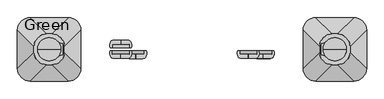
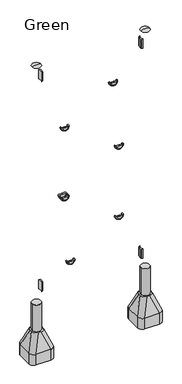
"""IFC4 building model written with IfcOpenShell, lengths in millimetres: furniture geometry, Green."""

from ifc_helpers import new_model, si_unit, point, frame, frame_2d, origin, place, context, project, spatial, polyline, circle_curve, ellipse_curve, trimmed, segment, composite_curve, outline, extrude, source, transform, mapped, element, save
from ifc_brep_helpers import plane_surface, cylinder_surface, revolved_surface, extruded_surface, advanced_brep


def green_5424bf5f(model_context):
    return source(origin(), model_context, "Body", "SolidModel", [
        extrude(outline(composite_curve([segment(trimmed(circle_curve(frame_2d((-627.9777489, 30.3699948)), 1.0), [point((-628.81792, 29.8276734))], [point((-627.6357288, 31.3096874))], False, "CARTESIAN"), True, "CONTINUOUS"), segment(polyline([(-627.6357288, 31.3096874), (-610.9579799, 25.2394832)]), True, "CONTINUOUS"), segment(trimmed(circle_curve(frame_2d((-611.3, 24.2997906)), 1.0), [point((-610.9579799, 25.2394832))], [point((-610.3, 24.2997906))], False, "CARTESIAN"), True, "CONTINUOUS"), segment(polyline([(-610.3, 24.2997906), (-610.3, -24.2997943)]), True, "CONTINUOUS"), segment(trimmed(circle_curve(frame_2d((-611.3, -24.2997943)), 1.0), [point((-610.3, -24.2997943))], [point((-610.9579799, -25.2394869))], False, "CARTESIAN"), True, "CONTINUOUS"), segment(polyline([(-610.9579799, -25.2394869), (-627.6357288, -31.3096911)]), True, "CONTINUOUS"), segment(trimmed(circle_curve(frame_2d((-627.9777489, -30.3699985)), 1.0), [point((-627.6357288, -31.3096911))], [point((-628.81792, -29.8276771))], False, "CARTESIAN"), True, "CONTINUOUS"), segment(trimmed(circle_curve(frame_2d((-675.0273324, -1.9e-06)), 55.0), [point((-628.81792, -29.8276771))], [point((-628.81792, 29.8276734))], True, "CARTESIAN"), True, "CONTINUOUS")], self_intersect=False)), frame((0.0, 0.0, 2790.0), z_axis=(0.0, 0.0, 1.0), x_axis=(1.0, 0.0, 0.0)), (0.0, 0.0, 1.0), 120.0),
        extrude(outline(composite_curve([segment(trimmed(circle_curve(frame_2d((627.9777489, -30.3699948)), 1.0), [point((628.81792, -29.8276734))], [point((627.6357288, -31.3096874))], False, "CARTESIAN"), True, "CONTINUOUS"), segment(polyline([(627.6357288, -31.3096874), (610.9579799, -25.2394832)]), True, "CONTINUOUS"), segment(trimmed(circle_curve(frame_2d((611.3, -24.2997906)), 1.0), [point((610.9579799, -25.2394832))], [point((610.3, -24.2997906))], False, "CARTESIAN"), True, "CONTINUOUS"), segment(polyline([(610.3, -24.2997906), (610.3, 24.2997943)]), True, "CONTINUOUS"), segment(trimmed(circle_curve(frame_2d((611.3, 24.2997943)), 1.0), [point((610.3, 24.2997943))], [point((610.9579799, 25.2394869))], False, "CARTESIAN"), True, "CONTINUOUS"), segment(polyline([(610.9579799, 25.2394869), (627.6357288, 31.3096911)]), True, "CONTINUOUS"), segment(trimmed(circle_curve(frame_2d((627.9777489, 30.3699985)), 1.0), [point((627.6357288, 31.3096911))], [point((628.81792, 29.8276771))], False, "CARTESIAN"), True, "CONTINUOUS"), segment(trimmed(circle_curve(frame_2d((675.0273324, 1.9e-06)), 55.0), [point((628.81792, 29.8276771))], [point((628.81792, -29.8276734))], True, "CARTESIAN"), True, "CONTINUOUS")], self_intersect=False)), frame((0.0, 0.0, 2790.0), z_axis=(0.0, 0.0, 1.0), x_axis=(1.0, 0.0, 0.0)), (0.0, 0.0, 1.0), 120.0),
        extrude(outline(composite_curve([segment(trimmed(circle_curve(frame_2d((627.9777489, -30.3699948)), 1.0), [point((628.81792, -29.8276734))], [point((627.6357288, -31.3096874))], False, "CARTESIAN"), True, "CONTINUOUS"), segment(polyline([(627.6357288, -31.3096874), (610.9579799, -25.2394832)]), True, "CONTINUOUS"), segment(trimmed(circle_curve(frame_2d((611.3, -24.2997906)), 1.0), [point((610.9579799, -25.2394832))], [point((610.3, -24.2997906))], False, "CARTESIAN"), True, "CONTINUOUS"), segment(polyline([(610.3, -24.2997906), (610.3, 24.2997943)]), True, "CONTINUOUS"), segment(trimmed(circle_curve(frame_2d((611.3, 24.2997943)), 1.0), [point((610.3, 24.2997943))], [point((610.9579799, 25.2394869))], False, "CARTESIAN"), True, "CONTINUOUS"), segment(polyline([(610.9579799, 25.2394869), (627.6357288, 31.3096911)]), True, "CONTINUOUS"), segment(trimmed(circle_curve(frame_2d((627.9777489, 30.3699985)), 1.0), [point((627.6357288, 31.3096911))], [point((628.81792, 29.8276771))], False, "CARTESIAN"), True, "CONTINUOUS"), segment(trimmed(circle_curve(frame_2d((675.0273324, 1.9e-06)), 55.0), [point((628.81792, 29.8276771))], [point((628.81792, -29.8276734))], True, "CARTESIAN"), True, "CONTINUOUS")], self_intersect=False)), frame((0.0, 0.0, 40.0), z_axis=(0.0, 0.0, 1.0), x_axis=(1.0, 0.0, 0.0)), (0.0, 0.0, 1.0), 120.0),
        extrude(outline(composite_curve([segment(trimmed(circle_curve(frame_2d((-627.9777489, 30.3699948)), 1.0), [point((-628.81792, 29.8276734))], [point((-627.6357288, 31.3096874))], False, "CARTESIAN"), True, "CONTINUOUS"), segment(polyline([(-627.6357288, 31.3096874), (-610.9579799, 25.2394832)]), True, "CONTINUOUS"), segment(trimmed(circle_curve(frame_2d((-611.3, 24.2997906)), 1.0), [point((-610.9579799, 25.2394832))], [point((-610.3, 24.2997906))], False, "CARTESIAN"), True, "CONTINUOUS"), segment(polyline([(-610.3, 24.2997906), (-610.3, -24.2997943)]), True, "CONTINUOUS"), segment(trimmed(circle_curve(frame_2d((-611.3, -24.2997943)), 1.0), [point((-610.3, -24.2997943))], [point((-610.9579799, -25.2394869))], False, "CARTESIAN"), True, "CONTINUOUS"), segment(polyline([(-610.9579799, -25.2394869), (-627.6357288, -31.3096911)]), True, "CONTINUOUS"), segment(trimmed(circle_curve(frame_2d((-627.9777489, -30.3699985)), 1.0), [point((-627.6357288, -31.3096911))], [point((-628.81792, -29.8276771))], False, "CARTESIAN"), True, "CONTINUOUS"), segment(trimmed(circle_curve(frame_2d((-675.0273324, -1.9e-06)), 55.0), [point((-628.81792, -29.8276771))], [point((-628.81792, 29.8276734))], True, "CARTESIAN"), True, "CONTINUOUS")], self_intersect=False)), frame((0.0, 0.0, 40.0), z_axis=(0.0, 0.0, 1.0), x_axis=(1.0, 0.0, 0.0)), (0.0, 0.0, 1.0), 120.0),
        advanced_brep(
        [(-620.0, 0.0, 3000.0), (-730.0, 0.0, 3000.0), (-675.0, 0.0, 3012.0246565), (-675.0, 0.0, 3000.0)],
        [
            (0, 1, circle_curve(frame((-675.0, 0.0, 3000.0), z_axis=(0.0, 0.0, 1.0), x_axis=(-1.0, 0.0, 0.0)), 55.0)),
            (1, 2, circle_curve(frame((-679.5450144, 0.0, 2901.0177111), z_axis=(0.0, 1.0, 0.0), x_axis=(-1.0, 0.0, 0.0)), 111.0999509)),
            (2, 0, circle_curve(frame((-670.4549856, 0.0, 2901.0177111), z_axis=(0.0, 1.0, 0.0), x_axis=(1.0, 0.0, 0.0)), 111.0999509)),
            (1, 0, circle_curve(frame((-675.0, 0.0, 3000.0), z_axis=(0.0, 0.0, 1.0), x_axis=(-1.0, 0.0, 0.0)), 55.0)),
            (3, 1),
            (0, 3),
        ],
        [
            revolved_surface(trimmed(ellipse_curve(frame((-679.5450144, 0.0, 2901.0177111), z_axis=(0.0, -1.0, 0.0), x_axis=(-1.0, 0.0, 0.0)), 111.0999509, 111.0999509), [point((-675.0, 0.0, 3012.0246565))], [point((-730.0, 0.0, 3000.0))], True, "CARTESIAN"), (-675.0, 0.0, 2619.0), (0.0, 0.0, -1.0)),
            plane_surface(frame((-675.0, 0.0, 3000.0), z_axis=(0.0, 0.0, -1.0), x_axis=(-1.0, 0.0, 0.0))),
        ],
        [
            (0, [[1, 2, 3]]),
            (0, [[4, -3, -2]]),
            (1, [[5, -1, 6]]),
            (1, [[-6, -4, -5]]),
        ],
    ),
        advanced_brep(
        [(730.0, 0.0, 3000.0), (620.0, 0.0, 3000.0), (675.0, 0.0, 3012.0246565), (675.0, 0.0, 3000.0)],
        [
            (0, 1, circle_curve(frame((675.0, 0.0, 3000.0), z_axis=(0.0, 0.0, 1.0), x_axis=(-1.0, 0.0, 0.0)), 55.0)),
            (1, 2, circle_curve(frame((670.4549856, 0.0, 2901.0177111), z_axis=(0.0, 1.0, 0.0), x_axis=(-1.0, 0.0, 0.0)), 111.0999509)),
            (2, 0, circle_curve(frame((679.5450144, 0.0, 2901.0177111), z_axis=(0.0, 1.0, 0.0), x_axis=(1.0, 0.0, 0.0)), 111.0999509)),
            (1, 0, circle_curve(frame((675.0, 0.0, 3000.0), z_axis=(0.0, 0.0, 1.0), x_axis=(-1.0, 0.0, 0.0)), 55.0)),
            (3, 1),
            (0, 3),
        ],
        [
            revolved_surface(trimmed(ellipse_curve(frame((670.4549856, 0.0, 2901.0177111), z_axis=(0.0, -1.0, 0.0), x_axis=(-1.0, 0.0, 0.0)), 111.0999509, 111.0999509), [point((675.0, 0.0, 3012.0246565))], [point((620.0, 0.0, 3000.0))], True, "CARTESIAN"), (675.0, 0.0, 2619.0), (0.0, 0.0, -1.0)),
            plane_surface(frame((675.0, 0.0, 3000.0), z_axis=(0.0, 0.0, -1.0), x_axis=(-1.0, 0.0, 0.0))),
        ],
        [
            (0, [[1, 2, 3]]),
            (0, [[4, -3, -2]]),
            (1, [[5, -1, 6]]),
            (1, [[-6, -4, -5]]),
        ],
    ),
        extrude(outline(composite_curve([segment(trimmed(circle_curve(frame_2d((-675.0, 0.0)), 55.0), [point((-730.0, 0.0))], [point((-620.0, 0.0))], False, "CARTESIAN"), True, "CONTINUOUS"), segment(trimmed(circle_curve(frame_2d((-675.0, 0.0)), 55.0), [point((-620.0, 0.0))], [point((-730.0, 0.0))], False, "CARTESIAN"), True, "CONTINUOUS")], self_intersect=False)), frame((0.0, 0.0, -800.0), z_axis=(0.0, 0.0, 1.0), x_axis=(1.0, 0.0, 0.0)), (0.0, 0.0, 1.0), 700.0),
        advanced_brep(
        [(-585.0, 150.0, -800.0), (-525.0, 90.0, -800.0), (-525.0, -90.0, -800.0), (-585.0, -150.0, -800.0), (-765.0, -150.0, -800.0), (-825.0, -90.0, -800.0), (-825.0, 90.0, -800.0), (-765.0, 150.0, -800.0), (-765.0, 150.0, -660.0), (-585.0, 150.0, -660.0), (-825.0, -90.0, -660.0), (-825.0, 90.0, -660.0), (-585.0, -150.0, -660.0), (-765.0, -150.0, -660.0), (-525.0, 90.0, -660.0), (-525.0, -90.0, -660.0), (-687.2959549, 72.6989403, -450.0), (-747.2959549, 12.6989403, -450.0), (-747.2959549, -12.6989403, -450.0), (-687.2959549, -72.6989403, -450.0), (-662.7040451, -72.6989403, -450.0), (-602.7040451, -12.6989403, -450.0), (-602.7040451, 12.6989403, -450.0), (-662.7040451, 72.6989403, -450.0)],
        [
            (0, 1, circle_curve(frame((-585.0, 90.0, -800.0), z_axis=(0.0, 0.0, -1.0), x_axis=(1.0, 0.0, 0.0)), 60.0)),
            (1, 2),
            (2, 3, circle_curve(frame((-585.0, -90.0, -800.0), z_axis=(0.0, 0.0, -1.0), x_axis=(1.0, 0.0, 0.0)), 60.0)),
            (3, 4),
            (4, 5, circle_curve(frame((-765.0, -90.0, -800.0), z_axis=(0.0, 0.0, -1.0), x_axis=(1.0, 0.0, 0.0)), 60.0)),
            (5, 6),
            (6, 7, circle_curve(frame((-765.0, 90.0, -800.0), z_axis=(0.0, 0.0, -1.0), x_axis=(1.0, 0.0, 0.0)), 60.0)),
            (7, 0),
            (7, 8),
            (8, 9),
            (9, 0),
            (5, 10),
            (10, 11),
            (11, 6),
            (3, 12),
            (12, 13),
            (13, 4),
            (1, 14),
            (14, 15),
            (15, 2),
            (16, 17, circle_curve(frame((-687.2959549, 12.6989403, -450.0), z_axis=(0.0, 0.0, 1.0), x_axis=(1.0, 0.0, 0.0)), 60.0)),
            (17, 18),
            (18, 19, circle_curve(frame((-687.2959549, -12.6989403, -450.0), z_axis=(0.0, 0.0, 1.0), x_axis=(1.0, 0.0, 0.0)), 60.0)),
            (19, 20),
            (20, 21, circle_curve(frame((-662.7040451, -12.6989403, -450.0), z_axis=(0.0, 0.0, 1.0), x_axis=(1.0, 0.0, 0.0)), 60.0)),
            (21, 22),
            (22, 23, circle_curve(frame((-662.7040451, 12.6989403, -450.0), z_axis=(0.0, 0.0, 1.0), x_axis=(1.0, 0.0, 0.0)), 60.0)),
            (23, 16),
            (17, 11),
            (10, 18),
            (19, 13),
            (12, 20),
            (21, 15),
            (14, 22),
            (23, 9),
            (8, 16),
            (11, 8, circle_curve(frame((-765.0, 90.0, -660.0), z_axis=(0.0, 0.0, -1.0), x_axis=(1.0, 0.0, 0.0)), 60.0)),
            (13, 10, circle_curve(frame((-765.0, -90.0, -660.0), z_axis=(0.0, 0.0, -1.0), x_axis=(1.0, 0.0, 0.0)), 60.0)),
            (15, 12, circle_curve(frame((-585.0, -90.0, -660.0), z_axis=(0.0, 0.0, -1.0), x_axis=(1.0, 0.0, 0.0)), 60.0)),
            (9, 14, circle_curve(frame((-585.0, 90.0, -660.0), z_axis=(0.0, 0.0, -1.0), x_axis=(1.0, 0.0, 0.0)), 60.0)),
        ],
        [
            plane_surface(frame((-851.6329682, 150.0, -800.0), z_axis=(0.0, 0.0, -1.0), x_axis=(1.0, 0.0, 0.0))),
            plane_surface(frame((-585.0, 150.0, -660.0), z_axis=(0.0, 1.0, 0.0), x_axis=(0.0, 0.0, -1.0))),
            plane_surface(frame((-825.0, 90.0, -660.0), z_axis=(-1.0, 0.0, 0.0), x_axis=(0.0, 0.0, -1.0))),
            plane_surface(frame((-765.0, -150.0, -660.0), z_axis=(0.0, -1.0, 0.0), x_axis=(0.0, 0.0, -1.0))),
            plane_surface(frame((-525.0, -90.0, -660.0), z_axis=(1.0, 0.0, 0.0), x_axis=(0.0, 0.0, -1.0))),
            plane_surface(frame((-675.0, 0.0, -450.0), z_axis=(0.0, 0.0, 1.0), x_axis=(-1.0, 0.0, 0.0))),
            plane_surface(frame((-825.0, 0.0, -660.0), z_axis=(-0.9378559633153523, 0.0, 0.3470247715564883), x_axis=(0.0, -1.0, 0.0))),
            plane_surface(frame((-675.0, -150.0, -660.0), z_axis=(0.0, -0.9384407279810882, 0.3454402988452927), x_axis=(1.0, 0.0, 0.0))),
            plane_surface(frame((-525.0, 0.0, -660.0), z_axis=(0.9378559633153524, 0.0, 0.34702477155648764), x_axis=(0.0, 1.0, 0.0))),
            plane_surface(frame((-675.0, 150.0, -660.0), z_axis=(0.0, 0.9384407279810884, 0.3454402988452924), x_axis=(-1.0, 0.0, 0.0))),
            cylinder_surface(frame((-765.0, 90.0, -800.0), z_axis=(0.0, 0.0, 1.0), x_axis=(1.0, 0.0, 0.0)), 60.0),
            cylinder_surface(frame((-765.0, -90.0, -800.0), z_axis=(0.0, 0.0, 1.0), x_axis=(1.0, 0.0, 0.0)), 60.0),
            cylinder_surface(frame((-585.0, -90.0, -800.0), z_axis=(0.0, 0.0, 1.0), x_axis=(1.0, 0.0, 0.0)), 60.0),
            cylinder_surface(frame((-585.0, 90.0, -800.0), z_axis=(0.0, 0.0, 1.0), x_axis=(1.0, 0.0, 0.0)), 60.0),
            extruded_surface(trimmed(circle_curve(frame((-765.0, 90.0, -660.0), z_axis=(0.0, 0.0, 1.0), x_axis=(1.0, 0.0, 0.0)), 60.0), [point((-765.0, 150.0, -660.0))], [point((-825.0, 90.0, -660.0))], True, "CARTESIAN"), (77.70404510000003, -77.3010597, 210.0), 236.88261324049472),
            extruded_surface(trimmed(circle_curve(frame((-585.0, 90.0, -660.0), z_axis=(0.0, 0.0, 1.0), x_axis=(1.0, 0.0, 0.0)), 60.0), [point((-525.0, 90.0, -660.0))], [point((-585.0, 150.0, -660.0))], True, "CARTESIAN"), (-77.70404510000003, -77.3010597, 210.0), 236.88261324049472),
            extruded_surface(trimmed(circle_curve(frame((-765.0, -90.0, -660.0), z_axis=(0.0, 0.0, 1.0), x_axis=(1.0, 0.0, 0.0)), 60.0), [point((-825.0, -90.0, -660.0))], [point((-765.0, -150.0, -660.0))], True, "CARTESIAN"), (77.70404510000003, 77.3010597, 210.0), 236.88261324049472),
            extruded_surface(trimmed(circle_curve(frame((-585.0, -90.0, -660.0), z_axis=(0.0, 0.0, 1.0), x_axis=(1.0, 0.0, 0.0)), 60.0), [point((-585.0, -150.0, -660.0))], [point((-525.0, -90.0, -660.0))], True, "CARTESIAN"), (-77.70404510000003, 77.3010597, 210.0), 236.88261324049472),
        ],
        [
            (0, [[1, 2, 3, 4, 5, 6, 7, 8]]),
            (1, [[-8, 9, 10, 11]]),
            (2, [[-6, 12, 13, 14]]),
            (3, [[-4, 15, 16, 17]]),
            (4, [[-2, 18, 19, 20]]),
            (5, [[21, 22, 23, 24, 25, 26, 27, 28]]),
            (6, [[-22, 29, -13, 30]]),
            (7, [[-24, 31, -16, 32]]),
            (8, [[-26, 33, -19, 34]]),
            (9, [[-28, 35, -10, 36]]),
            (10, [[-7, -14, 37, -9]]),
            (11, [[-5, -17, 38, -12]]),
            (12, [[-3, -20, 39, -15]]),
            (13, [[-1, -11, 40, -18]]),
            (14, [[-21, -36, -37, -29]]),
            (15, [[-27, -34, -40, -35]]),
            (16, [[-23, -30, -38, -31]]),
            (17, [[-25, -32, -39, -33]]),
        ],
    ),
        extrude(outline(composite_curve([segment(trimmed(circle_curve(frame_2d((675.0, 0.0)), 55.0), [point((620.0, 0.0))], [point((730.0, 0.0))], False, "CARTESIAN"), True, "CONTINUOUS"), segment(trimmed(circle_curve(frame_2d((675.0, 0.0)), 55.0), [point((730.0, 0.0))], [point((620.0, 0.0))], False, "CARTESIAN"), True, "CONTINUOUS")], self_intersect=False)), frame((0.0, 0.0, -800.0), z_axis=(0.0, 0.0, 1.0), x_axis=(1.0, 0.0, 0.0)), (0.0, 0.0, 1.0), 700.0),
        advanced_brep(
        [(765.0, 150.0, -800.0), (825.0, 90.0, -800.0), (825.0, -90.0, -800.0), (765.0, -150.0, -800.0), (585.0, -150.0, -800.0), (525.0, -90.0, -800.0), (525.0, 90.0, -800.0), (585.0, 150.0, -800.0), (585.0, 150.0, -660.0), (765.0, 150.0, -660.0), (525.0, -90.0, -660.0), (525.0, 90.0, -660.0), (765.0, -150.0, -660.0), (585.0, -150.0, -660.0), (825.0, 90.0, -660.0), (825.0, -90.0, -660.0), (662.7040451, 72.6989403, -450.0), (602.7040451, 12.6989403, -450.0), (602.7040451, -12.6989403, -450.0), (662.7040451, -72.6989403, -450.0), (687.2959549, -72.6989403, -450.0), (747.2959549, -12.6989403, -450.0), (747.2959549, 12.6989403, -450.0), (687.2959549, 72.6989403, -450.0)],
        [
            (0, 1, circle_curve(frame((765.0, 90.0, -800.0), z_axis=(0.0, 0.0, -1.0), x_axis=(1.0, 0.0, 0.0)), 60.0)),
            (1, 2),
            (2, 3, circle_curve(frame((765.0, -90.0, -800.0), z_axis=(0.0, 0.0, -1.0), x_axis=(1.0, 0.0, 0.0)), 60.0)),
            (3, 4),
            (4, 5, circle_curve(frame((585.0, -90.0, -800.0), z_axis=(0.0, 0.0, -1.0), x_axis=(1.0, 0.0, 0.0)), 60.0)),
            (5, 6),
            (6, 7, circle_curve(frame((585.0, 90.0, -800.0), z_axis=(0.0, 0.0, -1.0), x_axis=(1.0, 0.0, 0.0)), 60.0)),
            (7, 0),
            (7, 8),
            (8, 9),
            (9, 0),
            (5, 10),
            (10, 11),
            (11, 6),
            (3, 12),
            (12, 13),
            (13, 4),
            (1, 14),
            (14, 15),
            (15, 2),
            (16, 17, circle_curve(frame((662.7040451, 12.6989403, -450.0), z_axis=(0.0, 0.0, 1.0), x_axis=(1.0, 0.0, 0.0)), 60.0)),
            (17, 18),
            (18, 19, circle_curve(frame((662.7040451, -12.6989403, -450.0), z_axis=(0.0, 0.0, 1.0), x_axis=(1.0, 0.0, 0.0)), 60.0)),
            (19, 20),
            (20, 21, circle_curve(frame((687.2959549, -12.6989403, -450.0), z_axis=(0.0, 0.0, 1.0), x_axis=(1.0, 0.0, 0.0)), 60.0)),
            (21, 22),
            (22, 23, circle_curve(frame((687.2959549, 12.6989403, -450.0), z_axis=(0.0, 0.0, 1.0), x_axis=(1.0, 0.0, 0.0)), 60.0)),
            (23, 16),
            (17, 11),
            (10, 18),
            (19, 13),
            (12, 20),
            (21, 15),
            (14, 22),
            (23, 9),
            (8, 16),
            (11, 8, circle_curve(frame((585.0, 90.0, -660.0), z_axis=(0.0, 0.0, -1.0), x_axis=(1.0, 0.0, 0.0)), 60.0)),
            (13, 10, circle_curve(frame((585.0, -90.0, -660.0), z_axis=(0.0, 0.0, -1.0), x_axis=(1.0, 0.0, 0.0)), 60.0)),
            (15, 12, circle_curve(frame((765.0, -90.0, -660.0), z_axis=(0.0, 0.0, -1.0), x_axis=(1.0, 0.0, 0.0)), 60.0)),
            (9, 14, circle_curve(frame((765.0, 90.0, -660.0), z_axis=(0.0, 0.0, -1.0), x_axis=(1.0, 0.0, 0.0)), 60.0)),
        ],
        [
            plane_surface(frame((498.3670318, 150.0, -800.0), z_axis=(0.0, 0.0, -1.0), x_axis=(1.0, 0.0, 0.0))),
            plane_surface(frame((765.0, 150.0, -660.0), z_axis=(0.0, 1.0, 0.0), x_axis=(0.0, 0.0, -1.0))),
            plane_surface(frame((525.0, 90.0, -660.0), z_axis=(-1.0, 0.0, 0.0), x_axis=(0.0, 0.0, -1.0))),
            plane_surface(frame((585.0, -150.0, -660.0), z_axis=(0.0, -1.0, 0.0), x_axis=(0.0, 0.0, -1.0))),
            plane_surface(frame((825.0, -90.0, -660.0), z_axis=(1.0, 0.0, 0.0), x_axis=(0.0, 0.0, -1.0))),
            plane_surface(frame((675.0, 0.0, -450.0), z_axis=(0.0, 0.0, 1.0), x_axis=(-1.0, 0.0, 0.0))),
            plane_surface(frame((525.0, 0.0, -660.0), z_axis=(-0.9378559633153523, 0.0, 0.3470247715564883), x_axis=(0.0, -1.0, 0.0))),
            plane_surface(frame((675.0, -150.0, -660.0), z_axis=(0.0, -0.9384407279810882, 0.3454402988452927), x_axis=(1.0, 0.0, 0.0))),
            plane_surface(frame((825.0, 0.0, -660.0), z_axis=(0.9378559633153524, 0.0, 0.34702477155648764), x_axis=(0.0, 1.0, 0.0))),
            plane_surface(frame((675.0, 150.0, -660.0), z_axis=(0.0, 0.9384407279810884, 0.3454402988452924), x_axis=(-1.0, 0.0, 0.0))),
            cylinder_surface(frame((585.0, 90.0, -800.0), z_axis=(0.0, 0.0, 1.0), x_axis=(1.0, 0.0, 0.0)), 60.0),
            cylinder_surface(frame((585.0, -90.0, -800.0), z_axis=(0.0, 0.0, 1.0), x_axis=(1.0, 0.0, 0.0)), 60.0),
            cylinder_surface(frame((765.0, -90.0, -800.0), z_axis=(0.0, 0.0, 1.0), x_axis=(1.0, 0.0, 0.0)), 60.0),
            cylinder_surface(frame((765.0, 90.0, -800.0), z_axis=(0.0, 0.0, 1.0), x_axis=(1.0, 0.0, 0.0)), 60.0),
            extruded_surface(trimmed(circle_curve(frame((585.0, 90.0, -660.0), z_axis=(0.0, 0.0, 1.0), x_axis=(1.0, 0.0, 0.0)), 60.0), [point((585.0, 150.0, -660.0))], [point((525.0, 90.0, -660.0))], True, "CARTESIAN"), (77.70404510000003, -77.3010597, 210.0), 236.88261324049472),
            extruded_surface(trimmed(circle_curve(frame((765.0, 90.0, -660.0), z_axis=(0.0, 0.0, 1.0), x_axis=(1.0, 0.0, 0.0)), 60.0), [point((825.0, 90.0, -660.0))], [point((765.0, 150.0, -660.0))], True, "CARTESIAN"), (-77.70404510000003, -77.3010597, 210.0), 236.88261324049472),
            extruded_surface(trimmed(circle_curve(frame((585.0, -90.0, -660.0), z_axis=(0.0, 0.0, 1.0), x_axis=(1.0, 0.0, 0.0)), 60.0), [point((525.0, -90.0, -660.0))], [point((585.0, -150.0, -660.0))], True, "CARTESIAN"), (77.70404510000003, 77.3010597, 210.0), 236.88261324049472),
            extruded_surface(trimmed(circle_curve(frame((765.0, -90.0, -660.0), z_axis=(0.0, 0.0, 1.0), x_axis=(1.0, 0.0, 0.0)), 60.0), [point((765.0, -150.0, -660.0))], [point((825.0, -90.0, -660.0))], True, "CARTESIAN"), (-77.70404510000003, 77.3010597, 210.0), 236.88261324049472),
        ],
        [
            (0, [[1, 2, 3, 4, 5, 6, 7, 8]]),
            (1, [[-8, 9, 10, 11]]),
            (2, [[-6, 12, 13, 14]]),
            (3, [[-4, 15, 16, 17]]),
            (4, [[-2, 18, 19, 20]]),
            (5, [[21, 22, 23, 24, 25, 26, 27, 28]]),
            (6, [[-22, 29, -13, 30]]),
            (7, [[-24, 31, -16, 32]]),
            (8, [[-26, 33, -19, 34]]),
            (9, [[-28, 35, -10, 36]]),
            (10, [[-7, -14, 37, -9]]),
            (11, [[-5, -17, 38, -12]]),
            (12, [[-3, -20, 39, -15]]),
            (13, [[-1, -11, 40, -18]]),
            (14, [[-21, -36, -37, -29]]),
            (15, [[-27, -34, -40, -35]]),
            (16, [[-23, -30, -38, -31]]),
            (17, [[-25, -32, -39, -33]]),
        ],
    ),
        advanced_brep(
        [(-286.8, -7.5000023, 2095.0), (-296.8, -7.5000023, 2095.0), (-296.8, -23.6334336, 2095.0), (-336.6, -23.6334336, 2095.0), (-336.6, -43.6334336, 2095.0), (-304.7059358, -43.6334336, 2095.0), (-289.0570442, -34.5545434, 2095.0), (-386.8, -7.5000023, 2095.0), (-384.5429558, -34.5545434, 2095.0), (-368.8940642, -43.6334336, 2095.0), (-337.0, -43.6334336, 2095.0), (-337.0, -23.6334336, 2095.0), (-376.8, -23.6334336, 2095.0), (-376.8, -7.5000023, 2095.0)],
        [
            (0, 1),
            (1, 2),
            (2, 3),
            (3, 4),
            (4, 5),
            (5, 6, circle_curve(frame((-304.7059358, -25.6073286, 2095.0), z_axis=(0.0, 0.0, 1.0), x_axis=(-1.0, 0.0, 0.0)), 18.026105)),
            (6, 0, circle_curve(frame((-316.9513924, -18.6060194, 2095.0), z_axis=(0.0, 0.0, 1.0), x_axis=(-1.0, 0.0, 0.0)), 32.1317612)),
            (7, 8, circle_curve(frame((-356.6486076, -18.6060194, 2095.0), z_axis=(0.0, 0.0, 1.0), x_axis=(1.0, 0.0, 0.0)), 32.1317612)),
            (8, 9, circle_curve(frame((-368.8940642, -25.6073286, 2095.0), z_axis=(0.0, 0.0, 1.0), x_axis=(1.0, 0.0, 0.0)), 18.026105)),
            (9, 10),
            (10, 11),
            (11, 12),
            (12, 13),
            (13, 7),
            (13, 1, circle_curve(frame((-336.8, -7.5000023, 2095.0), z_axis=(0.0, -1.0, 0.0), x_axis=(1.0, 0.0, 0.0)), 40.0)),
            (0, 7, circle_curve(frame((-336.8, -7.5000023, 2095.0), z_axis=(0.0, 1.0, 0.0), x_axis=(1.0, 0.0, 0.0)), 50.0)),
            (12, 2, circle_curve(frame((-336.8, -23.6334336, 2095.0), z_axis=(0.0, -1.0, 0.0), x_axis=(1.0, 0.0, 0.0)), 40.0)),
            (9, 5, circle_curve(frame((-336.8, -43.6334336, 2095.0), z_axis=(0.0, -1.0, 0.0), x_axis=(1.0, 0.0, 0.0)), 32.0940642)),
            (4, 10, circle_curve(frame((-336.8, -43.6334336, 2095.0), z_axis=(0.0, 1.0, 0.0), x_axis=(1.0, 0.0, 0.0)), 0.2)),
            (11, 3, circle_curve(frame((-336.8, -23.6334336, 2095.0), z_axis=(0.0, -1.0, 0.0), x_axis=(1.0, 0.0, 0.0)), 0.2)),
            (8, 6, circle_curve(frame((-336.8, -34.5545434, 2095.0), z_axis=(0.0, -1.0, 0.0), x_axis=(1.0, 0.0, 0.0)), 47.7429558)),
        ],
        [
            plane_surface(frame((-296.8, -7.5000023, 2095.0), z_axis=(0.0, 0.0, 1.0), x_axis=(0.0, 1.0, 0.0))),
            plane_surface(frame((-376.8, -7.5000023, 2095.0), z_axis=(0.0, 0.0, 1.0), x_axis=(0.0, 1.0, 0.0))),
            plane_surface(frame((-336.8, -7.5000023, 2095.0), z_axis=(0.0, 1.0, 0.0), x_axis=(1.0, 0.0, 0.0))),
            revolved_surface(polyline([(-296.8, -7.5000023, 2095.0), (-296.8, -23.633433599999996, 2095.0)]), (-336.8, -7.5000023, 2095.0), (0.0, 1.0, 0.0)),
            plane_surface(frame((-336.8, -43.6334336, 2095.0), z_axis=(0.0, -1.0, 0.0), x_axis=(1.0, 0.0, 0.0))),
            plane_surface(frame((-336.8, -23.6334336, 2095.0), z_axis=(0.0, 1.0, 0.0), x_axis=(1.0, 0.0, 0.0))),
            revolved_surface(polyline([(-336.6, -23.633433599999996, 2095.0), (-336.6, -43.6334336, 2095.0)]), (-336.8, -7.5000023, 2095.0), (0.0, 1.0, 0.0)),
            revolved_surface(trimmed(ellipse_curve(frame((-304.7059358, -25.6073286, 2095.0), z_axis=(0.0, 0.0, 1.0), x_axis=(-1.0, 0.0, 0.0)), 18.026105, 18.026105), [point((-304.7059358, -43.6334336, 2095.0))], [point((-289.0570442, -34.5545434, 2095.0))], True, "CARTESIAN"), (-336.8, -7.5000023, 2095.0), (0.0, 1.0, 0.0)),
            revolved_surface(trimmed(ellipse_curve(frame((-316.9513924, -18.6060194, 2095.0), z_axis=(0.0, 0.0, 1.0), x_axis=(-1.0, 0.0, 0.0)), 32.1317612, 32.1317612), [point((-289.0570442, -34.5545434, 2095.0))], [point((-286.8, -7.5000023, 2095.0))], True, "CARTESIAN"), (-336.8, -7.5000023, 2095.0), (0.0, 1.0, 0.0)),
        ],
        [
            (0, [[1, 2, 3, 4, 5, 6, 7]]),
            (1, [[8, 9, 10, 11, 12, 13, 14]]),
            (2, [[15, -1, 16, -14]]),
            (3, [[17, -2, -15, -13]]),
            (4, [[18, -5, 19, -10]]),
            (5, [[20, -3, -17, -12]]),
            (6, [[-19, -4, -20, -11]]),
            (7, [[21, -6, -18, -9]]),
            (8, [[-16, -7, -21, -8]]),
        ],
    ),
        advanced_brep(
        [(315.2, -7.5000023, 2475.0), (305.2, -7.5000023, 2475.0), (305.2, -23.6334336, 2475.0), (265.4, -23.6334336, 2475.0), (265.4, -43.6334336, 2475.0), (297.2940642, -43.6334336, 2475.0), (312.9429558, -34.5545434, 2475.0), (215.2, -7.5000023, 2475.0), (217.4570442, -34.5545434, 2475.0), (233.1059358, -43.6334336, 2475.0), (265.0, -43.6334336, 2475.0), (265.0, -23.6334336, 2475.0), (225.2, -23.6334336, 2475.0), (225.2, -7.5000023, 2475.0)],
        [
            (0, 1),
            (1, 2),
            (2, 3),
            (3, 4),
            (4, 5),
            (5, 6, circle_curve(frame((297.2940642, -25.6073286, 2475.0), z_axis=(0.0, 0.0, 1.0), x_axis=(-1.0, 0.0, 0.0)), 18.026105)),
            (6, 0, circle_curve(frame((285.0486076, -18.6060194, 2475.0), z_axis=(0.0, 0.0, 1.0), x_axis=(-1.0, 0.0, 0.0)), 32.1317612)),
            (7, 8, circle_curve(frame((245.3513924, -18.6060194, 2475.0), z_axis=(0.0, 0.0, 1.0), x_axis=(1.0, 0.0, 0.0)), 32.1317612)),
            (8, 9, circle_curve(frame((233.1059358, -25.6073286, 2475.0), z_axis=(0.0, 0.0, 1.0), x_axis=(1.0, 0.0, 0.0)), 18.026105)),
            (9, 10),
            (10, 11),
            (11, 12),
            (12, 13),
            (13, 7),
            (13, 1, circle_curve(frame((265.2, -7.5000023, 2475.0), z_axis=(0.0, -1.0, 0.0), x_axis=(1.0, 0.0, 0.0)), 40.0)),
            (0, 7, circle_curve(frame((265.2, -7.5000023, 2475.0), z_axis=(0.0, 1.0, 0.0), x_axis=(1.0, 0.0, 0.0)), 50.0)),
            (12, 2, circle_curve(frame((265.2, -23.6334336, 2475.0), z_axis=(0.0, -1.0, 0.0), x_axis=(1.0, 0.0, 0.0)), 40.0)),
            (9, 5, circle_curve(frame((265.2, -43.6334336, 2475.0), z_axis=(0.0, -1.0, 0.0), x_axis=(1.0, 0.0, 0.0)), 32.0940642)),
            (4, 10, circle_curve(frame((265.2, -43.6334336, 2475.0), z_axis=(0.0, 1.0, 0.0), x_axis=(1.0, 0.0, 0.0)), 0.2)),
            (11, 3, circle_curve(frame((265.2, -23.6334336, 2475.0), z_axis=(0.0, -1.0, 0.0), x_axis=(1.0, 0.0, 0.0)), 0.2)),
            (8, 6, circle_curve(frame((265.2, -34.5545434, 2475.0), z_axis=(0.0, -1.0, 0.0), x_axis=(1.0, 0.0, 0.0)), 47.7429558)),
        ],
        [
            plane_surface(frame((305.2, -7.5000023, 2475.0), z_axis=(0.0, 0.0, 1.0), x_axis=(0.0, 1.0, 0.0))),
            plane_surface(frame((225.2, -7.5000023, 2475.0), z_axis=(0.0, 0.0, 1.0), x_axis=(0.0, 1.0, 0.0))),
            plane_surface(frame((265.2, -7.5000023, 2475.0), z_axis=(0.0, 1.0, 0.0), x_axis=(1.0, 0.0, 0.0))),
            revolved_surface(polyline([(305.2, -7.5000023, 2475.0), (305.2, -23.633433599999996, 2475.0)]), (265.2, -7.5000023, 2475.0), (0.0, 1.0, 0.0)),
            plane_surface(frame((265.2, -43.6334336, 2475.0), z_axis=(0.0, -1.0, 0.0), x_axis=(1.0, 0.0, 0.0))),
            plane_surface(frame((265.2, -23.6334336, 2475.0), z_axis=(0.0, 1.0, 0.0), x_axis=(1.0, 0.0, 0.0))),
            revolved_surface(polyline([(265.4, -23.633433599999996, 2475.0), (265.4, -43.6334336, 2475.0)]), (265.2, -7.5000023, 2475.0), (0.0, 1.0, 0.0)),
            revolved_surface(trimmed(ellipse_curve(frame((297.2940642, -25.6073286, 2475.0), z_axis=(0.0, 0.0, 1.0), x_axis=(-1.0, 0.0, 0.0)), 18.026105, 18.026105), [point((297.2940642, -43.6334336, 2475.0))], [point((312.9429558, -34.5545434, 2475.0))], True, "CARTESIAN"), (265.2, -7.5000023, 2475.0), (0.0, 1.0, 0.0)),
            revolved_surface(trimmed(ellipse_curve(frame((285.0486076, -18.6060194, 2475.0), z_axis=(0.0, 0.0, 1.0), x_axis=(-1.0, 0.0, 0.0)), 32.1317612, 32.1317612), [point((312.9429558, -34.5545434, 2475.0))], [point((315.2, -7.5000023, 2475.0))], True, "CARTESIAN"), (265.2, -7.5000023, 2475.0), (0.0, 1.0, 0.0)),
        ],
        [
            (0, [[1, 2, 3, 4, 5, 6, 7]]),
            (1, [[8, 9, 10, 11, 12, 13, 14]]),
            (2, [[15, -1, 16, -14]]),
            (3, [[17, -2, -15, -13]]),
            (4, [[18, -5, 19, -10]]),
            (5, [[20, -3, -17, -12]]),
            (6, [[-19, -4, -20, -11]]),
            (7, [[21, -6, -18, -9]]),
            (8, [[-16, -7, -21, -8]]),
        ],
    ),
        advanced_brep(
        [(386.8, -7.5000023, 1620.0), (376.8, -7.5000023, 1620.0), (376.8, -23.6334336, 1620.0), (337.0, -23.6334336, 1620.0), (337.0, -43.6334336, 1620.0), (368.8940642, -43.6334336, 1620.0), (384.5429558, -34.5545434, 1620.0), (286.8, -7.5000023, 1620.0), (289.0570442, -34.5545434, 1620.0), (304.7059358, -43.6334336, 1620.0), (336.6, -43.6334336, 1620.0), (336.6, -23.6334336, 1620.0), (296.8, -23.6334336, 1620.0), (296.8, -7.5000023, 1620.0)],
        [
            (0, 1),
            (1, 2),
            (2, 3),
            (3, 4),
            (4, 5),
            (5, 6, circle_curve(frame((368.8940642, -25.6073286, 1620.0), z_axis=(0.0, 0.0, 1.0), x_axis=(-1.0, 0.0, 0.0)), 18.026105)),
            (6, 0, circle_curve(frame((356.6486076, -18.6060194, 1620.0), z_axis=(0.0, 0.0, 1.0), x_axis=(-1.0, 0.0, 0.0)), 32.1317612)),
            (7, 8, circle_curve(frame((316.9513924, -18.6060194, 1620.0), z_axis=(0.0, 0.0, 1.0), x_axis=(1.0, 0.0, 0.0)), 32.1317612)),
            (8, 9, circle_curve(frame((304.7059358, -25.6073286, 1620.0), z_axis=(0.0, 0.0, 1.0), x_axis=(1.0, 0.0, 0.0)), 18.026105)),
            (9, 10),
            (10, 11),
            (11, 12),
            (12, 13),
            (13, 7),
            (13, 1, circle_curve(frame((336.8, -7.5000023, 1620.0), z_axis=(0.0, -1.0, 0.0), x_axis=(1.0, 0.0, 0.0)), 40.0)),
            (0, 7, circle_curve(frame((336.8, -7.5000023, 1620.0), z_axis=(0.0, 1.0, 0.0), x_axis=(1.0, 0.0, 0.0)), 50.0)),
            (12, 2, circle_curve(frame((336.8, -23.6334336, 1620.0), z_axis=(0.0, -1.0, 0.0), x_axis=(1.0, 0.0, 0.0)), 40.0)),
            (9, 5, circle_curve(frame((336.8, -43.6334336, 1620.0), z_axis=(0.0, -1.0, 0.0), x_axis=(1.0, 0.0, 0.0)), 32.0940642)),
            (4, 10, circle_curve(frame((336.8, -43.6334336, 1620.0), z_axis=(0.0, 1.0, 0.0), x_axis=(1.0, 0.0, 0.0)), 0.2)),
            (11, 3, circle_curve(frame((336.8, -23.6334336, 1620.0), z_axis=(0.0, -1.0, 0.0), x_axis=(1.0, 0.0, 0.0)), 0.2)),
            (8, 6, circle_curve(frame((336.8, -34.5545434, 1620.0), z_axis=(0.0, -1.0, 0.0), x_axis=(1.0, 0.0, 0.0)), 47.7429558)),
        ],
        [
            plane_surface(frame((376.8, -7.5000023, 1620.0), z_axis=(0.0, 0.0, 1.0), x_axis=(0.0, 1.0, 0.0))),
            plane_surface(frame((296.8, -7.5000023, 1620.0), z_axis=(0.0, 0.0, 1.0), x_axis=(0.0, 1.0, 0.0))),
            plane_surface(frame((336.8, -7.5000023, 1620.0), z_axis=(0.0, 1.0, 0.0), x_axis=(1.0, 0.0, 0.0))),
            revolved_surface(polyline([(376.8, -7.5000023, 1620.0), (376.8, -23.633433599999996, 1620.0)]), (336.8, -7.5000023, 1620.0), (0.0, 1.0, 0.0)),
            plane_surface(frame((336.8, -43.6334336, 1620.0), z_axis=(0.0, -1.0, 0.0), x_axis=(1.0, 0.0, 0.0))),
            plane_surface(frame((336.8, -23.6334336, 1620.0), z_axis=(0.0, 1.0, 0.0), x_axis=(1.0, 0.0, 0.0))),
            revolved_surface(polyline([(337.0, -23.633433599999996, 1620.0), (337.0, -43.6334336, 1620.0)]), (336.8, -7.5000023, 1620.0), (0.0, 1.0, 0.0)),
            revolved_surface(trimmed(ellipse_curve(frame((368.8940642, -25.6073286, 1620.0), z_axis=(0.0, 0.0, 1.0), x_axis=(-1.0, 0.0, 0.0)), 18.026105, 18.026105), [point((368.8940642, -43.6334336, 1620.0))], [point((384.5429558, -34.5545434, 1620.0))], True, "CARTESIAN"), (336.8, -7.5000023, 1620.0), (0.0, 1.0, 0.0)),
            revolved_surface(trimmed(ellipse_curve(frame((356.6486076, -18.6060194, 1620.0), z_axis=(0.0, 0.0, 1.0), x_axis=(-1.0, 0.0, 0.0)), 32.1317612, 32.1317612), [point((384.5429558, -34.5545434, 1620.0))], [point((386.8, -7.5000023, 1620.0))], True, "CARTESIAN"), (336.8, -7.5000023, 1620.0), (0.0, 1.0, 0.0)),
        ],
        [
            (0, [[1, 2, 3, 4, 5, 6, 7]]),
            (1, [[8, 9, 10, 11, 12, 13, 14]]),
            (2, [[15, -1, 16, -14]]),
            (3, [[17, -2, -15, -13]]),
            (4, [[18, -5, 19, -10]]),
            (5, [[20, -3, -17, -12]]),
            (6, [[-19, -4, -20, -11]]),
            (7, [[21, -6, -18, -9]]),
            (8, [[-16, -7, -21, -8]]),
        ],
    ),
        advanced_brep(
        [(-215.2, -7.5000023, 321.0), (-225.2, -7.5000023, 321.0), (-225.2, -23.6334336, 321.0), (-265.0, -23.6334336, 321.0), (-265.0, -43.6334336, 321.0), (-233.1059358, -43.6334336, 321.0), (-217.4570442, -34.5545434, 321.0), (-315.2, -7.5000023, 321.0), (-312.9429558, -34.5545434, 321.0), (-297.2940642, -43.6334336, 321.0), (-265.4, -43.6334336, 321.0), (-265.4, -23.6334336, 321.0), (-305.2, -23.6334336, 321.0), (-305.2, -7.5000023, 321.0)],
        [
            (0, 1),
            (1, 2),
            (2, 3),
            (3, 4),
            (4, 5),
            (5, 6, circle_curve(frame((-233.1059358, -25.6073286, 321.0), z_axis=(0.0, 0.0, 1.0), x_axis=(-1.0, 0.0, 0.0)), 18.026105)),
            (6, 0, circle_curve(frame((-245.3513924, -18.6060194, 321.0), z_axis=(0.0, 0.0, 1.0), x_axis=(-1.0, 0.0, 0.0)), 32.1317612)),
            (7, 8, circle_curve(frame((-285.0486076, -18.6060194, 321.0), z_axis=(0.0, 0.0, 1.0), x_axis=(1.0, 0.0, 0.0)), 32.1317612)),
            (8, 9, circle_curve(frame((-297.2940642, -25.6073286, 321.0), z_axis=(0.0, 0.0, 1.0), x_axis=(1.0, 0.0, 0.0)), 18.026105)),
            (9, 10),
            (10, 11),
            (11, 12),
            (12, 13),
            (13, 7),
            (13, 1, circle_curve(frame((-265.2, -7.5000023, 321.0), z_axis=(0.0, -1.0, 0.0), x_axis=(1.0, 0.0, 0.0)), 40.0)),
            (0, 7, circle_curve(frame((-265.2, -7.5000023, 321.0), z_axis=(0.0, 1.0, 0.0), x_axis=(1.0, 0.0, 0.0)), 50.0)),
            (12, 2, circle_curve(frame((-265.2, -23.6334336, 321.0), z_axis=(0.0, -1.0, 0.0), x_axis=(1.0, 0.0, 0.0)), 40.0)),
            (9, 5, circle_curve(frame((-265.2, -43.6334336, 321.0), z_axis=(0.0, -1.0, 0.0), x_axis=(1.0, 0.0, 0.0)), 32.0940642)),
            (4, 10, circle_curve(frame((-265.2, -43.6334336, 321.0), z_axis=(0.0, 1.0, 0.0), x_axis=(1.0, 0.0, 0.0)), 0.2)),
            (11, 3, circle_curve(frame((-265.2, -23.6334336, 321.0), z_axis=(0.0, -1.0, 0.0), x_axis=(1.0, 0.0, 0.0)), 0.2)),
            (8, 6, circle_curve(frame((-265.2, -34.5545434, 321.0), z_axis=(0.0, -1.0, 0.0), x_axis=(1.0, 0.0, 0.0)), 47.7429558)),
        ],
        [
            plane_surface(frame((-225.2, -7.5000023, 321.0), z_axis=(0.0, 0.0, 1.0), x_axis=(0.0, 1.0, 0.0))),
            plane_surface(frame((-305.2, -7.5000023, 321.0), z_axis=(0.0, 0.0, 1.0), x_axis=(0.0, 1.0, 0.0))),
            plane_surface(frame((-265.2, -7.5000023, 321.0), z_axis=(0.0, 1.0, 0.0), x_axis=(1.0, 0.0, 0.0))),
            revolved_surface(polyline([(-225.2, -7.5000023, 321.0), (-225.2, -23.633433599999996, 321.0)]), (-265.2, -7.5000023, 321.0), (0.0, 1.0, 0.0)),
            plane_surface(frame((-265.2, -43.6334336, 321.0), z_axis=(0.0, -1.0, 0.0), x_axis=(1.0, 0.0, 0.0))),
            plane_surface(frame((-265.2, -23.6334336, 321.0), z_axis=(0.0, 1.0, 0.0), x_axis=(1.0, 0.0, 0.0))),
            revolved_surface(polyline([(-265.0, -23.633433599999996, 321.0), (-265.0, -43.6334336, 321.0)]), (-265.2, -7.5000023, 321.0), (0.0, 1.0, 0.0)),
            revolved_surface(trimmed(ellipse_curve(frame((-233.1059358, -25.6073286, 321.0), z_axis=(0.0, 0.0, 1.0), x_axis=(-1.0, 0.0, 0.0)), 18.026105, 18.026105), [point((-233.1059358, -43.6334336, 321.0))], [point((-217.4570442, -34.5545434, 321.0))], True, "CARTESIAN"), (-265.2, -7.5000023, 321.0), (0.0, 1.0, 0.0)),
            revolved_surface(trimmed(ellipse_curve(frame((-245.3513924, -18.6060194, 321.0), z_axis=(0.0, 0.0, 1.0), x_axis=(-1.0, 0.0, 0.0)), 32.1317612, 32.1317612), [point((-217.4570442, -34.5545434, 321.0))], [point((-215.2, -7.5000023, 321.0))], True, "CARTESIAN"), (-265.2, -7.5000023, 321.0), (0.0, 1.0, 0.0)),
        ],
        [
            (0, [[1, 2, 3, 4, 5, 6, 7]]),
            (1, [[8, 9, 10, 11, 12, 13, 14]]),
            (2, [[15, -1, 16, -14]]),
            (3, [[17, -2, -15, -13]]),
            (4, [[18, -5, 19, -10]]),
            (5, [[20, -3, -17, -12]]),
            (6, [[-19, -4, -20, -11]]),
            (7, [[21, -6, -18, -9]]),
            (8, [[-16, -7, -21, -8]]),
        ],
    ),
        advanced_brep(
        [(387.2, -7.5000023, 700.0), (377.2, -7.5000023, 700.0), (377.2, -23.6334336, 700.0), (337.4, -23.6334336, 700.0), (337.4, -43.6334336, 700.0), (369.2940642, -43.6334336, 700.0), (384.9429558, -34.5545434, 700.0), (287.2, -7.5000023, 700.0), (289.4570442, -34.5545434, 700.0), (305.1059358, -43.6334336, 700.0), (337.0, -43.6334336, 700.0), (337.0, -23.6334336, 700.0), (297.2, -23.6334336, 700.0), (297.2, -7.5000023, 700.0)],
        [
            (0, 1),
            (1, 2),
            (2, 3),
            (3, 4),
            (4, 5),
            (5, 6, circle_curve(frame((369.2940642, -25.6073286, 700.0), z_axis=(0.0, 0.0, 1.0), x_axis=(-1.0, 0.0, 0.0)), 18.026105)),
            (6, 0, circle_curve(frame((357.0486076, -18.6060194, 700.0), z_axis=(0.0, 0.0, 1.0), x_axis=(-1.0, 0.0, 0.0)), 32.1317612)),
            (7, 8, circle_curve(frame((317.3513924, -18.6060194, 700.0), z_axis=(0.0, 0.0, 1.0), x_axis=(1.0, 0.0, 0.0)), 32.1317612)),
            (8, 9, circle_curve(frame((305.1059358, -25.6073286, 700.0), z_axis=(0.0, 0.0, 1.0), x_axis=(1.0, 0.0, 0.0)), 18.026105)),
            (9, 10),
            (10, 11),
            (11, 12),
            (12, 13),
            (13, 7),
            (13, 1, circle_curve(frame((337.2, -7.5000023, 700.0), z_axis=(0.0, -1.0, 0.0), x_axis=(1.0, 0.0, 0.0)), 40.0)),
            (0, 7, circle_curve(frame((337.2, -7.5000023, 700.0), z_axis=(0.0, 1.0, 0.0), x_axis=(1.0, 0.0, 0.0)), 50.0)),
            (12, 2, circle_curve(frame((337.2, -23.6334336, 700.0), z_axis=(0.0, -1.0, 0.0), x_axis=(1.0, 0.0, 0.0)), 40.0)),
            (9, 5, circle_curve(frame((337.2, -43.6334336, 700.0), z_axis=(0.0, -1.0, 0.0), x_axis=(1.0, 0.0, 0.0)), 32.0940642)),
            (4, 10, circle_curve(frame((337.2, -43.6334336, 700.0), z_axis=(0.0, 1.0, 0.0), x_axis=(1.0, 0.0, 0.0)), 0.2)),
            (11, 3, circle_curve(frame((337.2, -23.6334336, 700.0), z_axis=(0.0, -1.0, 0.0), x_axis=(1.0, 0.0, 0.0)), 0.2)),
            (8, 6, circle_curve(frame((337.2, -34.5545434, 700.0), z_axis=(0.0, -1.0, 0.0), x_axis=(1.0, 0.0, 0.0)), 47.7429558)),
        ],
        [
            plane_surface(frame((377.2, -7.5000023, 700.0), z_axis=(0.0, 0.0, 1.0), x_axis=(0.0, 1.0, 0.0))),
            plane_surface(frame((297.2, -7.5000023, 700.0), z_axis=(0.0, 0.0, 1.0), x_axis=(0.0, 1.0, 0.0))),
            plane_surface(frame((337.2, -7.5000023, 700.0), z_axis=(0.0, 1.0, 0.0), x_axis=(1.0, 0.0, 0.0))),
            revolved_surface(polyline([(377.2, -7.5000023, 700.0), (377.2, -23.633433599999996, 700.0)]), (337.2, -7.5000023, 700.0), (0.0, 1.0, 0.0)),
            plane_surface(frame((337.2, -43.6334336, 700.0), z_axis=(0.0, -1.0, 0.0), x_axis=(1.0, 0.0, 0.0))),
            plane_surface(frame((337.2, -23.6334336, 700.0), z_axis=(0.0, 1.0, 0.0), x_axis=(1.0, 0.0, 0.0))),
            revolved_surface(polyline([(337.4, -23.633433599999996, 700.0), (337.4, -43.6334336, 700.0)]), (337.2, -7.5000023, 700.0), (0.0, 1.0, 0.0)),
            revolved_surface(trimmed(ellipse_curve(frame((369.2940642, -25.6073286, 700.0), z_axis=(0.0, 0.0, 1.0), x_axis=(-1.0, 0.0, 0.0)), 18.026105, 18.026105), [point((369.2940642, -43.6334336, 700.0))], [point((384.9429558, -34.5545434, 700.0))], True, "CARTESIAN"), (337.2, -7.5000023, 700.0), (0.0, 1.0, 0.0)),
            revolved_surface(trimmed(ellipse_curve(frame((357.0486076, -18.6060194, 700.0), z_axis=(0.0, 0.0, 1.0), x_axis=(-1.0, 0.0, 0.0)), 32.1317612, 32.1317612), [point((384.9429558, -34.5545434, 700.0))], [point((387.2, -7.5000023, 700.0))], True, "CARTESIAN"), (337.2, -7.5000023, 700.0), (0.0, 1.0, 0.0)),
        ],
        [
            (0, [[1, 2, 3, 4, 5, 6, 7]]),
            (1, [[8, 9, 10, 11, 12, 13, 14]]),
            (2, [[15, -1, 16, -14]]),
            (3, [[17, -2, -15, -13]]),
            (4, [[18, -5, 19, -10]]),
            (5, [[20, -3, -17, -12]]),
            (6, [[-19, -4, -20, -11]]),
            (7, [[21, -6, -18, -9]]),
            (8, [[-16, -7, -21, -8]]),
        ],
    ),
        advanced_brep(
        [(-286.8, -7.5000023, 1180.0), (-296.8, -7.5000023, 1180.0), (-296.8, -23.6334336, 1180.0), (-336.6, -23.6334336, 1180.0), (-336.6, -43.6334336, 1180.0), (-304.7059358, -43.6334336, 1180.0), (-289.0570442, -34.5545434, 1180.0), (-386.8, -7.5000023, 1180.0), (-384.5429558, -34.5545434, 1180.0), (-368.8940642, -43.6334336, 1180.0), (-337.0, -43.6334336, 1180.0), (-337.0, -23.6334336, 1180.0), (-376.8, -23.6334336, 1180.0), (-376.8, -7.5000023, 1180.0)],
        [
            (0, 1),
            (1, 2),
            (2, 3),
            (3, 4),
            (4, 5),
            (5, 6, circle_curve(frame((-304.7059358, -25.6073286, 1180.0), z_axis=(0.0, 0.0, 1.0), x_axis=(-1.0, 0.0, 0.0)), 18.026105)),
            (6, 0, circle_curve(frame((-316.9513924, -18.6060194, 1180.0), z_axis=(0.0, 0.0, 1.0), x_axis=(-1.0, 0.0, 0.0)), 32.1317612)),
            (7, 8, circle_curve(frame((-356.6486076, -18.6060194, 1180.0), z_axis=(0.0, 0.0, 1.0), x_axis=(1.0, 0.0, 0.0)), 32.1317612)),
            (8, 9, circle_curve(frame((-368.8940642, -25.6073286, 1180.0), z_axis=(0.0, 0.0, 1.0), x_axis=(1.0, 0.0, 0.0)), 18.026105)),
            (9, 10),
            (10, 11),
            (11, 12),
            (12, 13),
            (13, 7),
            (13, 1, circle_curve(frame((-336.8, -7.5000023, 1180.0), z_axis=(0.0, -1.0, 0.0), x_axis=(1.0, 0.0, 0.0)), 40.0)),
            (0, 7, circle_curve(frame((-336.8, -7.5000023, 1180.0), z_axis=(0.0, 1.0, 0.0), x_axis=(1.0, 0.0, 0.0)), 50.0)),
            (12, 2, circle_curve(frame((-336.8, -23.6334336, 1180.0), z_axis=(0.0, -1.0, 0.0), x_axis=(1.0, 0.0, 0.0)), 40.0)),
            (9, 5, circle_curve(frame((-336.8, -43.6334336, 1180.0), z_axis=(0.0, -1.0, 0.0), x_axis=(1.0, 0.0, 0.0)), 32.0940642)),
            (4, 10, circle_curve(frame((-336.8, -43.6334336, 1180.0), z_axis=(0.0, 1.0, 0.0), x_axis=(1.0, 0.0, 0.0)), 0.2)),
            (11, 3, circle_curve(frame((-336.8, -23.6334336, 1180.0), z_axis=(0.0, -1.0, 0.0), x_axis=(1.0, 0.0, 0.0)), 0.2)),
            (8, 6, circle_curve(frame((-336.8, -34.5545434, 1180.0), z_axis=(0.0, -1.0, 0.0), x_axis=(1.0, 0.0, 0.0)), 47.7429558)),
        ],
        [
            plane_surface(frame((-296.8, -7.5000023, 1180.0), z_axis=(0.0, 0.0, 1.0), x_axis=(0.0, 1.0, 0.0))),
            plane_surface(frame((-376.8, -7.5000023, 1180.0), z_axis=(0.0, 0.0, 1.0), x_axis=(0.0, 1.0, 0.0))),
            plane_surface(frame((-336.8, -7.5000023, 1180.0), z_axis=(0.0, 1.0, 0.0), x_axis=(1.0, 0.0, 0.0))),
            revolved_surface(polyline([(-296.8, -7.5000023, 1180.0), (-296.8, -23.633433599999996, 1180.0)]), (-336.8, -7.5000023, 1180.0), (0.0, 1.0, 0.0)),
            plane_surface(frame((-336.8, -43.6334336, 1180.0), z_axis=(0.0, -1.0, 0.0), x_axis=(1.0, 0.0, 0.0))),
            plane_surface(frame((-336.8, -23.6334336, 1180.0), z_axis=(0.0, 1.0, 0.0), x_axis=(1.0, 0.0, 0.0))),
            revolved_surface(polyline([(-336.6, -23.633433599999996, 1180.0), (-336.6, -43.6334336, 1180.0)]), (-336.8, -7.5000023, 1180.0), (0.0, 1.0, 0.0)),
            revolved_surface(trimmed(ellipse_curve(frame((-304.7059358, -25.6073286, 1180.0), z_axis=(0.0, 0.0, 1.0), x_axis=(-1.0, 0.0, 0.0)), 18.026105, 18.026105), [point((-304.7059358, -43.6334336, 1180.0))], [point((-289.0570442, -34.5545434, 1180.0))], True, "CARTESIAN"), (-336.8, -7.5000023, 1180.0), (0.0, 1.0, 0.0)),
            revolved_surface(trimmed(ellipse_curve(frame((-316.9513924, -18.6060194, 1180.0), z_axis=(0.0, 0.0, 1.0), x_axis=(-1.0, 0.0, 0.0)), 32.1317612, 32.1317612), [point((-289.0570442, -34.5545434, 1180.0))], [point((-286.8, -7.5000023, 1180.0))], True, "CARTESIAN"), (-336.8, -7.5000023, 1180.0), (0.0, 1.0, 0.0)),
        ],
        [
            (0, [[1, 2, 3, 4, 5, 6, 7]]),
            (1, [[8, 9, 10, 11, 12, 13, 14]]),
            (2, [[15, -1, 16, -14]]),
            (3, [[17, -2, -15, -13]]),
            (4, [[18, -5, 19, -10]]),
            (5, [[20, -3, -17, -12]]),
            (6, [[-19, -4, -20, -11]]),
            (7, [[21, -6, -18, -9]]),
            (8, [[-16, -7, -21, -8]]),
        ],
    ),
        advanced_brep(
        [(-387.0, 7.5, 1180.0), (-377.0, 7.5, 1180.0), (-377.0, 23.6334312, 1180.0), (-337.2, 23.6334312, 1180.0), (-337.2, 43.6334312, 1180.0), (-369.0940642, 43.6334312, 1180.0), (-384.7429558, 34.554541, 1180.0), (-287.0, 7.5, 1180.0), (-289.2570442, 34.554541, 1180.0), (-304.9059358, 43.6334312, 1180.0), (-336.8, 43.6334312, 1180.0), (-336.8, 23.6334312, 1180.0), (-297.0, 23.6334312, 1180.0), (-297.0, 7.5, 1180.0)],
        [
            (0, 1),
            (1, 2),
            (2, 3),
            (3, 4),
            (4, 5),
            (5, 6, circle_curve(frame((-369.0940642, 25.6073263, 1180.0), z_axis=(0.0, 0.0, 1.0), x_axis=(1.0, 0.0, 0.0)), 18.026105)),
            (6, 0, circle_curve(frame((-356.8486076, 18.606017, 1180.0), z_axis=(0.0, 0.0, 1.0), x_axis=(1.0, 0.0, 0.0)), 32.1317612)),
            (7, 8, circle_curve(frame((-317.1513924, 18.606017, 1180.0), z_axis=(0.0, 0.0, 1.0), x_axis=(-1.0, 0.0, 0.0)), 32.1317612)),
            (8, 9, circle_curve(frame((-304.9059358, 25.6073263, 1180.0), z_axis=(0.0, 0.0, 1.0), x_axis=(-1.0, 0.0, 0.0)), 18.026105)),
            (9, 10),
            (10, 11),
            (11, 12),
            (12, 13),
            (13, 7),
            (13, 1, circle_curve(frame((-337.0, 7.5, 1180.0), z_axis=(0.0, 1.0, 0.0), x_axis=(-1.0, 0.0, 0.0)), 40.0)),
            (0, 7, circle_curve(frame((-337.0, 7.5, 1180.0), z_axis=(0.0, -1.0, 0.0), x_axis=(-1.0, 0.0, 0.0)), 50.0)),
            (12, 2, circle_curve(frame((-337.0, 23.6334312, 1180.0), z_axis=(0.0, 1.0, 0.0), x_axis=(-1.0, 0.0, 0.0)), 40.0)),
            (9, 5, circle_curve(frame((-337.0, 43.6334312, 1180.0), z_axis=(0.0, 1.0, 0.0), x_axis=(-1.0, 0.0, 0.0)), 32.0940642)),
            (4, 10, circle_curve(frame((-337.0, 43.6334312, 1180.0), z_axis=(0.0, -1.0, 0.0), x_axis=(-1.0, 0.0, 0.0)), 0.2)),
            (11, 3, circle_curve(frame((-337.0, 23.6334312, 1180.0), z_axis=(0.0, 1.0, 0.0), x_axis=(-1.0, 0.0, 0.0)), 0.2)),
            (8, 6, circle_curve(frame((-337.0, 34.554541, 1180.0), z_axis=(0.0, 1.0, 0.0), x_axis=(-1.0, 0.0, 0.0)), 47.7429558)),
        ],
        [
            plane_surface(frame((-377.0, 7.5, 1180.0), z_axis=(0.0, 0.0, 1.0), x_axis=(0.0, -1.0, 0.0))),
            plane_surface(frame((-297.0, 7.5, 1180.0), z_axis=(0.0, 0.0, 1.0), x_axis=(0.0, -1.0, 0.0))),
            plane_surface(frame((-337.0, 7.5, 1180.0), z_axis=(0.0, -1.0, 0.0), x_axis=(-1.0, 0.0, 0.0))),
            revolved_surface(polyline([(-377.0, 7.5, 1180.0), (-377.0, 23.6334312, 1180.0)]), (-337.0, 7.5, 1180.0), (0.0, -1.0, 0.0)),
            plane_surface(frame((-337.0, 43.6334312, 1180.0), z_axis=(0.0, 1.0, 0.0), x_axis=(-1.0, 0.0, 0.0))),
            plane_surface(frame((-337.0, 23.6334312, 1180.0), z_axis=(0.0, -1.0, 0.0), x_axis=(-1.0, 0.0, 0.0))),
            revolved_surface(polyline([(-337.2, 23.6334312, 1180.0), (-337.2, 43.6334312, 1180.0)]), (-337.0, 7.5, 1180.0), (0.0, -1.0, 0.0)),
            revolved_surface(trimmed(ellipse_curve(frame((-369.0940642, 25.6073263, 1180.0), z_axis=(0.0, 0.0, 1.0), x_axis=(1.0, 0.0, 0.0)), 18.026105, 18.026105), [point((-369.0940642, 43.6334312, 1180.0))], [point((-384.7429558, 34.554541, 1180.0))], True, "CARTESIAN"), (-337.0, 7.5, 1180.0), (0.0, -1.0, 0.0)),
            revolved_surface(trimmed(ellipse_curve(frame((-356.8486076, 18.606017, 1180.0), z_axis=(0.0, 0.0, 1.0), x_axis=(1.0, 0.0, 0.0)), 32.1317612, 32.1317612), [point((-384.7429558, 34.554541, 1180.0))], [point((-387.0, 7.5, 1180.0))], True, "CARTESIAN"), (-337.0, 7.5, 1180.0), (0.0, -1.0, 0.0)),
        ],
        [
            (0, [[1, 2, 3, 4, 5, 6, 7]]),
            (1, [[8, 9, 10, 11, 12, 13, 14]]),
            (2, [[15, -1, 16, -14]]),
            (3, [[17, -2, -15, -13]]),
            (4, [[18, -5, 19, -10]]),
            (5, [[20, -3, -17, -12]]),
            (6, [[-19, -4, -20, -11]]),
            (7, [[21, -6, -18, -9]]),
            (8, [[-16, -7, -21, -8]]),
        ],
    ),
    ])


if __name__ == "__main__":
    model = new_model("IFC4")
    model_context = context("Model", 3, world=origin())
    ifc_project = project(units=[si_unit("LENGTHUNIT", "METRE", prefix="MILLI")], contexts=[model_context])
    site = spatial("IfcSite", under=ifc_project)
    building = spatial("IfcBuilding", under=site)
    placement = place(None, origin())
    green_shape = green_5424bf5f(model_context)
    element("IfcFurniture", 1, ObjectType="Green", at=placement, inside=building, context=model_context, shape_type="MappedRepresentation", body=[
        mapped(green_shape, transform((0.0, 0.0, 0.0), x_axis=(1.0, 0.0, 0.0), y_axis=(0.0, 1.0, 0.0), z_axis=(0.0, 0.0, 1.0))),
    ])
    save(model, "model.ifc")
